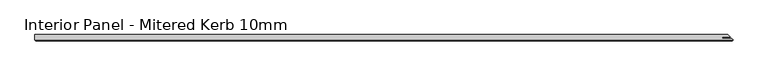
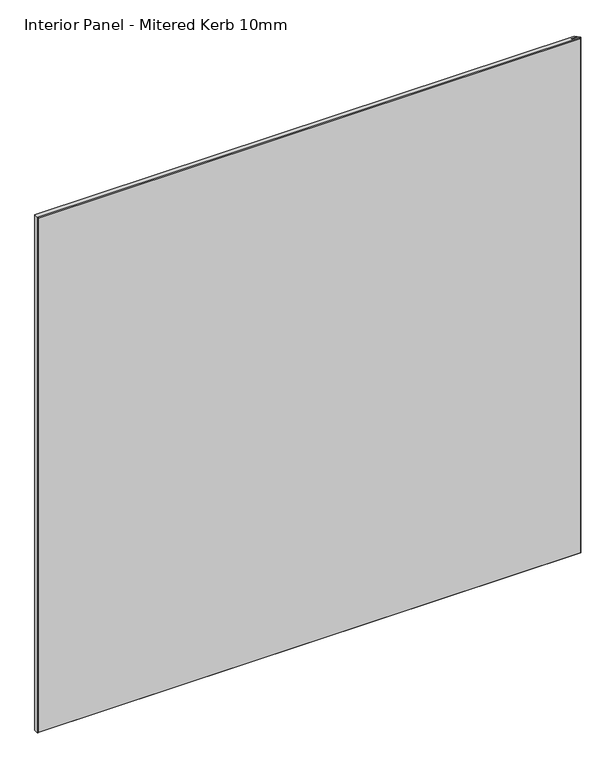
"""IFC4 building model written with IfcOpenShell, lengths in millimetres: proxy geometry, Interior Panel - Mitered Kerb 10mm."""

from ifc_helpers import new_model, si_unit, origin, place, context, project, spatial, faceted_brep, source, transform, mapped, element, save


def interior_panel_mitered_kerb_10mm_e08790e1(model_context):
    return source(origin(), model_context, "Body", "Brep", [
        faceted_brep([(1056.878125, 9.525, 1066.8), (0.0, 9.525, 1066.8), (0.0, 1.5875, 1066.8), (1064.815625, 1.5875, 1066.8), (1062.847125, 3.556, 1066.8), (1048.3788953, 3.556, 1066.8), (1048.3788953, 5.969, 1066.8), (1060.434125, 5.969, 1066.8), (1056.878125, 9.525, 0.0), (1060.434125, 5.969, 0.0), (1048.3788953, 5.969, 0.0), (1048.3788953, 3.556, 0.0), (1062.847125, 3.556, 0.0), (1064.815625, 1.5875, 0.0), (0.0, 1.5875, 0.0), (0.0, 9.525, 0.0), (1.5875, 0.0, 1065.2125), (1.5875, 0.0, 1.5875), (1063.228125, 0.0, 1.5875), (1063.228125, 0.0, 1065.2125)], [[[0, 1, 2, 3, 4, 5, 6, 7]], [[8, 9, 10, 11, 12, 13, 14, 15]], [[1, 0, 8, 15]], [[2, 1, 15, 14]], [[16, 17, 18, 19]], [[2, 14, 17, 16]], [[13, 3, 19, 18]], [[3, 2, 16, 19]], [[14, 13, 18, 17]], [[4, 3, 13, 12]], [[5, 4, 12, 11]], [[6, 5, 11, 10]], [[7, 6, 10, 9]], [[0, 7, 9, 8]]]),
    ])


if __name__ == "__main__":
    model = new_model("IFC4")
    model_context = context("Model", 3, world=origin())
    ifc_project = project(units=[si_unit("LENGTHUNIT", "METRE", prefix="MILLI")], contexts=[model_context])
    site = spatial("IfcSite", under=ifc_project)
    building = spatial("IfcBuilding", under=site)
    placement = place(None, origin())
    interior_panel_mitered_kerb_10mm_shape = interior_panel_mitered_kerb_10mm_e08790e1(model_context)
    element("IfcBuildingElementProxy", 1, Name="Interior Panel - Mitered Kerb 10mm", ObjectType="Interior Panel - Mitered Kerb 10mm", at=placement, inside=building, context=model_context, shape_type="MappedRepresentation", body=[
        mapped(interior_panel_mitered_kerb_10mm_shape, transform((0.0, 0.0, 0.0), x_axis=(1.0, 0.0, 0.0), y_axis=(0.0, 1.0, 0.0), z_axis=(0.0, 0.0, 1.0))),
    ])
    save(model, "model.ifc")
